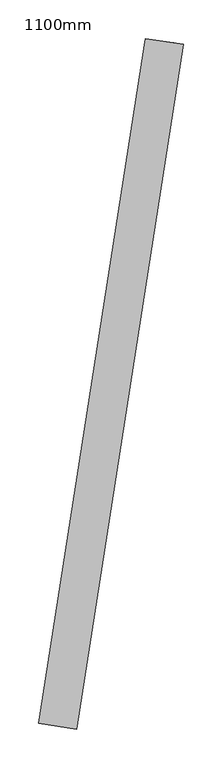
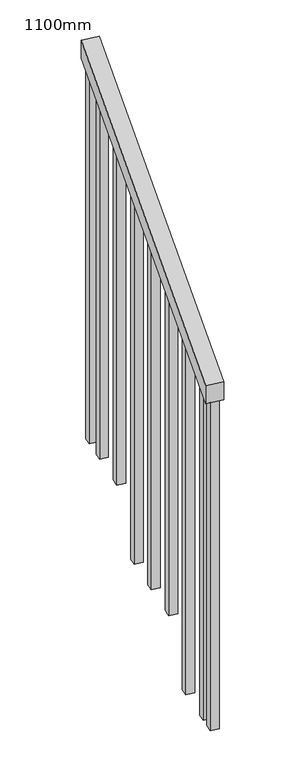
"""IFC4 building model written with IfcOpenShell, lengths in millimetres: railing geometry, 1100mm."""

from ifc_helpers import new_model, si_unit, frame, origin, place, context, project, spatial, polyline, outline, extrude, source, transform, mapped, element, save


def railing_1100mm_657abe63(model_context):
    return source(origin(), model_context, "Body", "SweptSolid", [
        extrude(outline(polyline([(28.3324142, -50.0), (0.0, 0.0), (1034.4817811, 0.0), (1062.8141953, -50.0), (28.3324142, -50.0)])), frame((-256046.1171416, -30242.9645198, 1212.5306543), z_axis=(-0.9879573259459236, 0.15472660440202432, 0.0), x_axis=(0.1346166399949806, 0.8595515696299098, 0.49300046590568275)), (0.0, 0.0, 1.0), 50.0),
        extrude(outline(polyline([(107.0832797, 0.0), (1262.9434887, 0.0), (1262.9434887, -25.0), (92.9167202, -25.0), (107.0832797, 0.0)])), frame((-255934.6853246, -29450.6645765, 1772.9434887), z_axis=(-0.9879573259459236, 0.1547266044020243, 0.0), x_axis=(0.0, 0.0, -1.0)), (0.0, 0.0, 1.0), 25.0),
        extrude(outline(polyline([(107.0832797, 0.0), (1192.1106915, 0.0), (1192.1106915, -25.0), (92.9167203, -25.0), (107.0832797, 0.0)])), frame((-255954.0261502, -29574.1592422, 1702.1106915), z_axis=(-0.9879573259459236, 0.1547266044020243, 0.0), x_axis=(0.0, 0.0, -1.0)), (0.0, 0.0, 1.0), 25.0),
        extrude(outline(polyline([(107.0832797, 0.0), (1291.2778943, 0.0), (1291.2778943, -25.0), (92.9167203, -25.0), (107.0832797, 0.0)])), frame((-255973.3669757, -29697.653908, 1631.2778943), z_axis=(-0.9879573259459236, 0.1547266044020243, 0.0), x_axis=(0.0, 0.0, -1.0)), (0.0, 0.0, 1.0), 25.0),
        extrude(outline(polyline([(107.0832797, 0.0), (1220.4450971, 0.0), (1220.4450971, -25.0000001), (92.9167203, -25.0000001), (107.0832797, 0.0)])), frame((-255992.7078013, -29821.1485737, 1560.4450971), z_axis=(-0.9879573259459236, 0.1547266044020243, 0.0), x_axis=(0.0, 0.0, -1.0)), (0.0, 0.0, 1.0), 25.0),
        extrude(outline(polyline([(107.0832797, 0.0), (1149.6135866, 0.0), (1149.6135866, -25.0), (92.9167203, -25.0), (107.0832797, 0.0)])), frame((-256012.0486268, -29944.6432394, 1489.6135866), z_axis=(-0.9879573259459236, 0.1547266044020243, 0.0), x_axis=(0.0, 0.0, -1.0)), (0.0, 0.0, 1.0), 25.0),
        extrude(outline(polyline([(107.0832797, 0.0), (1248.7795027, 0.0), (1248.7795027, -25.0000001), (92.9167203, -25.0000001), (107.0832797, 0.0)])), frame((-256031.3894524, -30068.1379052, 1418.7795027), z_axis=(-0.9879573259459236, 0.1547266044020243, 0.0), x_axis=(0.0, 0.0, -1.0)), (0.0, 0.0, 1.0), 25.0),
        extrude(outline(polyline([(107.0832797, 0.0), (1177.9467055, 0.0), (1177.9467055, -25.0), (92.9167203, -25.0), (107.0832797, 0.0)])), frame((-256050.7302779, -30191.6325709, 1347.9467055), z_axis=(-0.9879573259459236, 0.1547266044020243, 0.0), x_axis=(0.0, 0.0, -1.0)), (0.0, 0.0, 1.0), 25.0),
        extrude(outline(polyline([(107.0832797, 0.0), (1305.4470272, 0.0), (1305.4470272, -25.0), (92.9167203, -25.0), (107.0832797, 0.0)])), frame((-255923.0763117, -29376.5389317, 1815.4470272), z_axis=(-0.9879573259459236, 0.1547266044020243, 0.0), x_axis=(0.0, 0.0, -1.0)), (0.0, 0.0, 1.0), 25.0),
        extrude(outline(polyline([(107.0832797, 0.0), (1149.6135866, 0.0), (1149.6135866, -25.0), (92.9167203, -25.0), (107.0832797, 0.0)])), frame((-256058.4666081, -30241.0304372, 1319.6135866), z_axis=(-0.9879573259459236, 0.1547266044020243, 0.0), x_axis=(0.0, 0.0, -1.0)), (0.0, 0.0, 1.0), 25.0),
    ])


if __name__ == "__main__":
    model = new_model("IFC4")
    model_context = context("Model", 3, world=origin())
    ifc_project = project(units=[si_unit("LENGTHUNIT", "METRE", prefix="MILLI")], contexts=[model_context])
    site = spatial("IfcSite", under=ifc_project)
    building = spatial("IfcBuilding", under=site)
    placement = place(None, origin())
    railing_1100mm_shape = railing_1100mm_657abe63(model_context)
    element("IfcRailing", 1, ObjectType="1100mm", at=placement, inside=building, context=model_context, shape_type="MappedRepresentation", body=[
        mapped(railing_1100mm_shape, transform((0.0, 0.0, 0.0), x_axis=(1.0, 0.0, 0.0), y_axis=(0.0, 1.0, 0.0), z_axis=(0.0, 0.0, 1.0))),
    ])
    save(model, "model.ifc")
